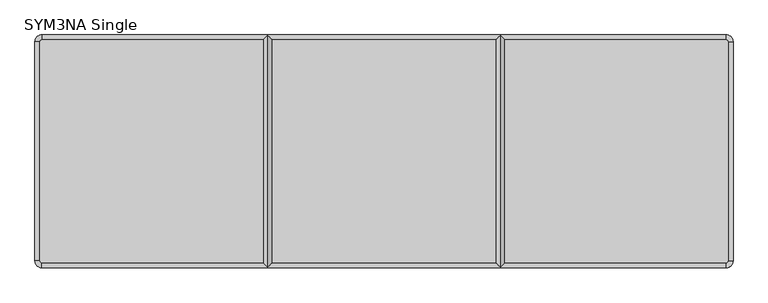
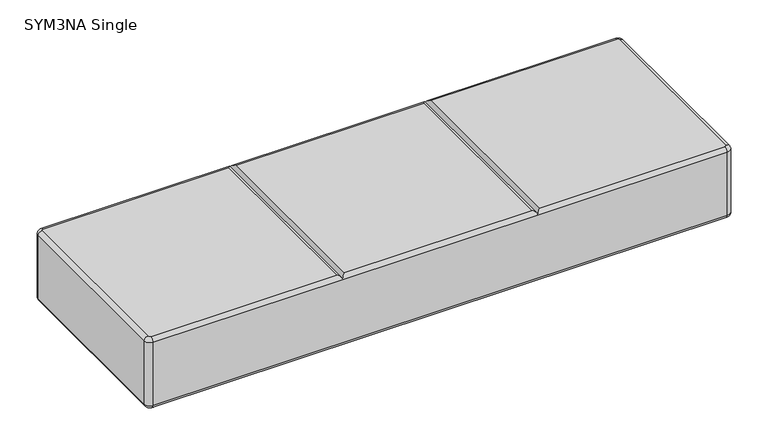
"""IFC4 building model written with IfcOpenShell, lengths in millimetres: furniture geometry, SYM3NA Single."""

from ifc_helpers import new_model, si_unit, point, frame, origin, place, context, project, spatial, circle_curve, ellipse_curve, trimmed, source, transform, mapped, element, save
from ifc_brep_helpers import plane_surface, cylinder_surface, revolved_surface, advanced_brep


def sym3na_single_dab6a685(model_context):
    return source(origin(), model_context, "Body", "AdvancedBrep", [
        advanced_brep(
        [(765.0, 150.0, 225.9993706), (750.0, 165.0, 225.9993706), (750.0, 165.0, 400.0), (765.0, 150.0, 400.0), (750.0, 155.0, 410.0), (755.0, 150.0, 410.0), (765.0, -330.0, 400.0), (765.0, -330.0, 225.9993706), (755.0, -330.0, 410.0), (750.0, -345.0, 400.0), (750.0, -345.0, 225.9993706), (750.0, -335.0, 410.0), (255.0, -345.0, 400.0), (-255.0, -345.0, 400.0), (-750.0, -345.0, 400.0), (-750.0, -345.0, 225.9993706), (265.0, -335.0, 410.0), (-750.0, -335.0, 410.0), (-265.0, -335.0, 410.0), (245.0, -335.0, 410.0), (-245.0, -335.0, 410.0), (-765.0, -330.0, 400.0), (-765.0, -330.0, 225.9993706), (-755.0, -330.0, 410.0), (-765.0, 150.0, 400.0), (-765.0, 150.0, 225.9993706), (-755.0, 150.0, 410.0), (-750.0, 165.0, 400.0), (-750.0, 165.0, 225.9993706), (-750.0, 155.0, 410.0), (-255.0, 165.0, 400.0), (255.0, 165.0, 400.0), (265.0, 155.0, 410.0), (-265.0, 155.0, 410.0), (245.0, 155.0, 410.0), (-245.0, 155.0, 410.0), (750.0, 155.0, 215.9993706), (755.0, 150.0, 215.9993706), (755.0, -330.0, 215.9993706), (750.0, -335.0, 215.9993706), (-750.0, -335.0, 215.9993706), (-755.0, -330.0, 215.9993706), (-755.0, 150.0, 215.9993706), (-750.0, 155.0, 215.9993706)],
        [
            (0, 1, circle_curve(frame((750.0, 150.0, 225.9993706), z_axis=(0.0, 0.0, 1.0), x_axis=(0.0, 1.0, 0.0)), 15.0)),
            (1, 2),
            (2, 3, circle_curve(frame((750.0, 150.0, 400.0), z_axis=(0.0, 0.0, -1.0), x_axis=(0.0, 1.0, 0.0)), 15.0)),
            (3, 0),
            (2, 4, circle_curve(frame((750.0, 155.0, 400.0), z_axis=(1.0, 0.0, 0.0), x_axis=(0.0, 1.0, 0.0)), 10.0)),
            (4, 5, circle_curve(frame((750.0, 150.0, 410.0), z_axis=(0.0, 0.0, -1.0), x_axis=(0.0, 1.0, 0.0)), 5.0)),
            (5, 3, circle_curve(frame((755.0, 150.0, 400.0), z_axis=(0.0, 1.0, 0.0), x_axis=(1.0, 0.0, 0.0)), 10.0)),
            (3, 6),
            (6, 7),
            (7, 0),
            (5, 8),
            (8, 6, circle_curve(frame((755.0, -330.0, 400.0), z_axis=(0.0, 1.0, 0.0), x_axis=(1.0, 0.0, 0.0)), 10.0)),
            (6, 9, circle_curve(frame((750.0, -330.0, 400.0), z_axis=(0.0, 0.0, -1.0), x_axis=(1.0, 0.0, 0.0)), 15.0)),
            (9, 10),
            (10, 7, circle_curve(frame((750.0, -330.0, 225.9993706), z_axis=(0.0, 0.0, 1.0), x_axis=(1.0, 0.0, 0.0)), 15.0)),
            (8, 11, circle_curve(frame((750.0, -330.0, 410.0), z_axis=(0.0, 0.0, -1.0), x_axis=(1.0, 0.0, 0.0)), 5.0)),
            (11, 9, circle_curve(frame((750.0, -335.0, 400.0), z_axis=(1.0, 0.0, 0.0), x_axis=(0.0, -1.0, 0.0)), 10.0)),
            (9, 12),
            (12, 13),
            (13, 14),
            (14, 15),
            (15, 10),
            (11, 16),
            (16, 12, ellipse_curve(frame((265.0, -335.0, 400.0), z_axis=(0.7071067811865475, -0.7071067811865475, 0.0), x_axis=(0.7071067811865476, 0.7071067811865474, 0.0)), 14.1421356, 10.0)),
            (17, 14, circle_curve(frame((-750.0, -335.0, 400.0), z_axis=(1.0, 0.0, 0.0), x_axis=(0.0, -1.0, 0.0)), 10.0)),
            (13, 18, ellipse_curve(frame((-265.0, -335.0, 400.0), z_axis=(-0.7071067811865475, -0.7071067811865475, 0.0), x_axis=(0.7071067811865476, -0.7071067811865474, 0.0)), 14.1421356, 10.0)),
            (18, 17),
            (12, 19, ellipse_curve(frame((245.0, -335.0, 400.0), z_axis=(-0.7071067811865475, -0.7071067811865475, 0.0), x_axis=(0.7071067811865476, -0.7071067811865474, 0.0)), 14.1421356, 10.0)),
            (19, 20),
            (20, 13, ellipse_curve(frame((-245.0, -335.0, 400.0), z_axis=(0.7071067811865475, -0.7071067811865475, 0.0), x_axis=(0.7071067811865476, 0.7071067811865474, 0.0)), 14.1421356, 10.0)),
            (14, 21, circle_curve(frame((-750.0, -330.0, 400.0), z_axis=(0.0, 0.0, -1.0), x_axis=(0.0, -1.0, 0.0)), 15.0)),
            (21, 22),
            (22, 15, circle_curve(frame((-750.0, -330.0, 225.9993706), z_axis=(0.0, 0.0, 1.0), x_axis=(0.0, -1.0, 0.0)), 15.0)),
            (17, 23, circle_curve(frame((-750.0, -330.0, 410.0), z_axis=(0.0, 0.0, -1.0), x_axis=(0.0, -1.0, 0.0)), 5.0)),
            (23, 21, circle_curve(frame((-755.0, -330.0, 400.0), z_axis=(0.0, -1.0, 0.0), x_axis=(-1.0, 0.0, 0.0)), 10.0)),
            (21, 24),
            (24, 25),
            (25, 22),
            (23, 26),
            (26, 24, circle_curve(frame((-755.0, 150.0, 400.0), z_axis=(0.0, -1.0, 0.0), x_axis=(-1.0, 0.0, 0.0)), 10.0)),
            (24, 27, circle_curve(frame((-750.0, 150.0, 400.0), z_axis=(0.0, 0.0, -1.0), x_axis=(-1.0, 0.0, 0.0)), 15.0)),
            (27, 28),
            (28, 25, circle_curve(frame((-750.0, 150.0, 225.9993706), z_axis=(0.0, 0.0, 1.0), x_axis=(-1.0, 0.0, 0.0)), 15.0)),
            (26, 29, circle_curve(frame((-750.0, 150.0, 410.0), z_axis=(0.0, 0.0, -1.0), x_axis=(-1.0, 0.0, 0.0)), 5.0)),
            (29, 27, circle_curve(frame((-750.0, 155.0, 400.0), z_axis=(-1.0, 0.0, 0.0), x_axis=(0.0, 1.0, 0.0)), 10.0)),
            (1, 28),
            (27, 30),
            (30, 31),
            (31, 2),
            (31, 32, ellipse_curve(frame((265.0, 155.0, 400.0), z_axis=(0.7071067811865475, 0.7071067811865475, 0.0), x_axis=(-0.7071067811865476, 0.7071067811865474, 0.0)), 14.1421356, 10.0)),
            (32, 4),
            (29, 33),
            (33, 30, ellipse_curve(frame((-265.0, 155.0, 400.0), z_axis=(-0.7071067811865475, 0.7071067811865475, 0.0), x_axis=(-0.7071067811865476, -0.7071067811865474, 0.0)), 14.1421356, 10.0)),
            (34, 31, ellipse_curve(frame((245.0, 155.0, 400.0), z_axis=(-0.7071067811865475, 0.7071067811865475, 0.0), x_axis=(-0.7071067811865476, -0.7071067811865474, 0.0)), 14.1421356, 10.0)),
            (30, 35, ellipse_curve(frame((-245.0, 155.0, 400.0), z_axis=(0.7071067811865475, 0.7071067811865475, 0.0), x_axis=(-0.7071067811865476, 0.7071067811865474, 0.0)), 14.1421356, 10.0)),
            (35, 34),
            (32, 16),
            (18, 33),
            (19, 34),
            (35, 20),
            (36, 37, circle_curve(frame((750.0, 150.0, 215.9993706), z_axis=(0.0, 0.0, -1.0), x_axis=(0.0, 1.0, 0.0)), 5.0)),
            (37, 38),
            (38, 39, circle_curve(frame((750.0, -330.0, 215.9993706), z_axis=(0.0, 0.0, -1.0), x_axis=(1.0, 0.0, 0.0)), 5.0)),
            (39, 40),
            (40, 41, circle_curve(frame((-750.0, -330.0, 215.9993706), z_axis=(0.0, 0.0, -1.0), x_axis=(0.0, -1.0, 0.0)), 5.0)),
            (41, 42),
            (42, 43, circle_curve(frame((-750.0, 150.0, 215.9993706), z_axis=(0.0, 0.0, -1.0), x_axis=(-1.0, 0.0, 0.0)), 5.0)),
            (43, 36),
            (12, 31),
            (13, 30),
            (0, 37, circle_curve(frame((755.0, 150.0, 225.9993706), z_axis=(0.0, 1.0, 0.0), x_axis=(1.0, 0.0, 0.0)), 10.0)),
            (36, 1, circle_curve(frame((750.0, 155.0, 225.9993706), z_axis=(1.0, 0.0, 0.0), x_axis=(0.0, 1.0, 0.0)), 10.0)),
            (7, 38, circle_curve(frame((755.0, -330.0, 225.9993706), z_axis=(0.0, 1.0, 0.0), x_axis=(1.0, 0.0, 0.0)), 10.0)),
            (10, 39, circle_curve(frame((750.0, -335.0, 225.9993706), z_axis=(1.0, 0.0, 0.0), x_axis=(0.0, -1.0, 0.0)), 10.0)),
            (15, 40, circle_curve(frame((-750.0, -335.0, 225.9993706), z_axis=(1.0, 0.0, 0.0), x_axis=(0.0, -1.0, 0.0)), 10.0)),
            (22, 41, circle_curve(frame((-755.0, -330.0, 225.9993706), z_axis=(0.0, -1.0, 0.0), x_axis=(-1.0, 0.0, 0.0)), 10.0)),
            (25, 42, circle_curve(frame((-755.0, 150.0, 225.9993706), z_axis=(0.0, -1.0, 0.0), x_axis=(-1.0, 0.0, 0.0)), 10.0)),
            (28, 43, circle_curve(frame((-750.0, 155.0, 225.9993706), z_axis=(-1.0, 0.0, 0.0), x_axis=(0.0, 1.0, 0.0)), 10.0)),
        ],
        [
            cylinder_surface(frame((750.0, 150.0, 0.0), z_axis=(0.0, 0.0, -1.0), x_axis=(0.0, 1.0, 0.0)), 15.0),
            revolved_surface(trimmed(ellipse_curve(frame((750.0, 155.0, 400.0), z_axis=(-1.0, 0.0, 0.0), x_axis=(0.0, 1.0, 0.0)), 10.0, 10.0), [point((750.0, 155.0, 410.0))], [point((750.0, 165.0, 400.0))], True, "CARTESIAN"), (750.0, 150.0, 0.0), (0.0, 0.0, -1.0)),
            plane_surface(frame((765.0, 150.0, 400.0), z_axis=(1.0, 0.0, 0.0), x_axis=(0.0, -1.0, 0.0))),
            cylinder_surface(frame((755.0, 150.0, 400.0), z_axis=(0.0, 1.0, 0.0), x_axis=(1.0, 0.0, 0.0)), 10.0),
            cylinder_surface(frame((750.0, -330.0, 0.0), z_axis=(0.0, 0.0, -1.0), x_axis=(1.0, 0.0, 0.0)), 15.0),
            revolved_surface(trimmed(ellipse_curve(frame((755.0, -330.0, 400.0), z_axis=(0.0, 1.0, 0.0), x_axis=(1.0, 0.0, 0.0)), 10.0, 10.0), [point((755.0, -330.0, 410.0))], [point((765.0, -330.0, 400.0))], True, "CARTESIAN"), (750.0, -330.0, 0.0), (0.0, 0.0, -1.0)),
            plane_surface(frame((750.0, -345.0, 400.0), z_axis=(0.0, -1.0, 0.0), x_axis=(-1.0, 0.0, 0.0))),
            cylinder_surface(frame((750.0, -335.0, 400.0), z_axis=(1.0, 0.0, 0.0), x_axis=(0.0, -1.0, 0.0)), 10.0),
            cylinder_surface(frame((-750.0, -330.0, 0.0), z_axis=(0.0, 0.0, -1.0), x_axis=(0.0, -1.0, 0.0)), 15.0),
            revolved_surface(trimmed(ellipse_curve(frame((-750.0, -335.0, 400.0), z_axis=(1.0, 0.0, 0.0), x_axis=(0.0, -1.0, 0.0)), 10.0, 10.0), [point((-750.0, -335.0, 410.0))], [point((-750.0, -345.0, 400.0))], True, "CARTESIAN"), (-750.0, -330.0, 0.0), (0.0, 0.0, -1.0)),
            plane_surface(frame((-765.0, -330.0, 400.0), z_axis=(-1.0, 0.0, 0.0), x_axis=(0.0, 1.0, 0.0))),
            cylinder_surface(frame((-755.0, -330.0, 400.0), z_axis=(0.0, -1.0, 0.0), x_axis=(-1.0, 0.0, 0.0)), 10.0),
            cylinder_surface(frame((-750.0, 150.0, 0.0), z_axis=(0.0, 0.0, -1.0), x_axis=(-1.0, 0.0, 0.0)), 15.0),
            revolved_surface(trimmed(ellipse_curve(frame((-755.0, 150.0, 400.0), z_axis=(0.0, -1.0, 0.0), x_axis=(-1.0, 0.0, 0.0)), 10.0, 10.0), [point((-755.0, 150.0, 410.0))], [point((-765.0, 150.0, 400.0))], True, "CARTESIAN"), (-750.0, 150.0, 0.0), (0.0, 0.0, -1.0)),
            plane_surface(frame((-750.0, 165.0, 400.0), z_axis=(0.0, 1.0, 0.0), x_axis=(1.0, 0.0, 0.0))),
            cylinder_surface(frame((-750.0, 155.0, 400.0), z_axis=(-1.0, 0.0, 0.0), x_axis=(0.0, 1.0, 0.0)), 10.0),
            plane_surface(frame((-750.0, 155.0, 410.0), z_axis=(0.0, 0.0, 1.0), x_axis=(-1.0, 0.0, 0.0))),
            plane_surface(frame((-750.0, 155.0, 215.9993706), z_axis=(0.0, 0.0, -1.0), x_axis=(1.0, 0.0, 0.0))),
            cylinder_surface(frame((245.0, 194.4686737, 400.0), z_axis=(0.0, 1.0, 0.0), x_axis=(1.0, 0.0, 0.0)), 10.0),
            cylinder_surface(frame((265.0, 194.4686737, 400.0), z_axis=(0.0, 1.0, 0.0), x_axis=(1.0, 0.0, 0.0)), 10.0),
            cylinder_surface(frame((-265.0, 194.4686737, 400.0), z_axis=(0.0, 1.0, 0.0), x_axis=(1.0, 0.0, 0.0)), 10.0),
            cylinder_surface(frame((-245.0, 194.4686737, 400.0), z_axis=(0.0, 1.0, 0.0), x_axis=(1.0, 0.0, 0.0)), 10.0),
            revolved_surface(trimmed(ellipse_curve(frame((750.0, 155.0, 225.9993706), z_axis=(-1.0, 0.0, 0.0), x_axis=(0.0, 1.0, 0.0)), 10.0, 10.0), [point((750.0, 165.0, 225.9993706))], [point((750.0, 155.0, 215.9993706))], True, "CARTESIAN"), (750.0, 150.0, 0.0), (0.0, 0.0, -1.0)),
            cylinder_surface(frame((755.0, 150.0, 225.9993706), z_axis=(0.0, 1.0, 0.0), x_axis=(1.0, 0.0, 0.0)), 10.0),
            revolved_surface(trimmed(ellipse_curve(frame((755.0, -330.0, 225.9993706), z_axis=(0.0, 1.0, 0.0), x_axis=(1.0, 0.0, 0.0)), 10.0, 10.0), [point((765.0, -330.0, 225.9993706))], [point((755.0, -330.0, 215.9993706))], True, "CARTESIAN"), (750.0, -330.0, 0.0), (0.0, 0.0, -1.0)),
            cylinder_surface(frame((750.0, -335.0, 225.9993706), z_axis=(1.0, 0.0, 0.0), x_axis=(0.0, -1.0, 0.0)), 10.0),
            revolved_surface(trimmed(ellipse_curve(frame((-750.0, -335.0, 225.9993706), z_axis=(1.0, 0.0, 0.0), x_axis=(0.0, -1.0, 0.0)), 10.0, 10.0), [point((-750.0, -345.0, 225.9993706))], [point((-750.0, -335.0, 215.9993706))], True, "CARTESIAN"), (-750.0, -330.0, 0.0), (0.0, 0.0, -1.0)),
            cylinder_surface(frame((-755.0, -330.0, 225.9993706), z_axis=(0.0, -1.0, 0.0), x_axis=(-1.0, 0.0, 0.0)), 10.0),
            revolved_surface(trimmed(ellipse_curve(frame((-755.0, 150.0, 225.9993706), z_axis=(0.0, -1.0, 0.0), x_axis=(-1.0, 0.0, 0.0)), 10.0, 10.0), [point((-765.0, 150.0, 225.9993706))], [point((-755.0, 150.0, 215.9993706))], True, "CARTESIAN"), (-750.0, 150.0, 0.0), (0.0, 0.0, -1.0)),
            cylinder_surface(frame((-750.0, 155.0, 225.9993706), z_axis=(-1.0, 0.0, 0.0), x_axis=(0.0, 1.0, 0.0)), 10.0),
        ],
        [
            (0, [[1, 2, 3, 4]]),
            (1, [[-3, 5, 6, 7]]),
            (2, [[-4, 8, 9, 10]]),
            (3, [[-7, 11, 12, -8]]),
            (4, [[-9, 13, 14, 15]]),
            (5, [[-12, 16, 17, -13]]),
            (6, [[-14, 18, 19, 20, 21, 22]]),
            (7, [[-17, 23, 24, -18]]),
            (7, [[25, -20, 26, 27]]),
            (7, [[28, 29, 30, -19]]),
            (8, [[-21, 31, 32, 33]]),
            (9, [[-25, 34, 35, -31]]),
            (10, [[-32, 36, 37, 38]]),
            (11, [[-35, 39, 40, -36]]),
            (12, [[-37, 41, 42, 43]]),
            (13, [[-40, 44, 45, -41]]),
            (14, [[-2, 46, -42, 47, 48, 49]]),
            (15, [[-5, -49, 50, 51]]),
            (15, [[-45, 52, 53, -47]]),
            (15, [[54, -48, 55, 56]]),
            (16, [[-6, -51, 57, -23, -16, -11]]),
            (16, [[-34, -27, 58, -52, -44, -39]]),
            (16, [[59, -56, 60, -29]]),
            (17, [[61, 62, 63, 64, 65, 66, 67, 68]]),
            (18, [[69, -54, -59, -28]]),
            (19, [[-69, -24, -57, -50]]),
            (20, [[70, -53, -58, -26]]),
            (21, [[-70, -30, -60, -55]]),
            (22, [[-1, 71, -61, 72]]),
            (23, [[-10, 73, -62, -71]]),
            (24, [[-15, 74, -63, -73]]),
            (25, [[-22, 75, -64, -74]]),
            (26, [[-33, 76, -65, -75]]),
            (27, [[-38, 77, -66, -76]]),
            (28, [[-43, 78, -67, -77]]),
            (29, [[-46, -72, -68, -78]]),
        ],
    ),
    ])


if __name__ == "__main__":
    model = new_model("IFC4")
    model_context = context("Model", 3, world=origin())
    ifc_project = project(units=[si_unit("LENGTHUNIT", "METRE", prefix="MILLI")], contexts=[model_context])
    site = spatial("IfcSite", under=ifc_project)
    building = spatial("IfcBuilding", under=site)
    placement = place(None, origin())
    sym3na_single_shape = sym3na_single_dab6a685(model_context)
    element("IfcFurniture", 1, ObjectType="SYM3NA Single", at=placement, inside=building, context=model_context, shape_type="MappedRepresentation", body=[
        mapped(sym3na_single_shape, transform((0.0, 0.0, 0.0), x_axis=(1.0, 0.0, 0.0), y_axis=(0.0, 1.0, 0.0), z_axis=(0.0, 0.0, 1.0))),
    ])
    save(model, "model.ifc")
